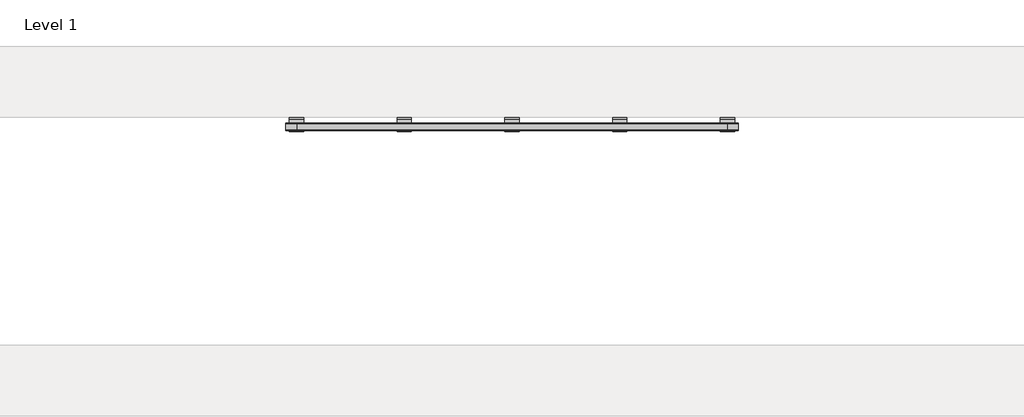
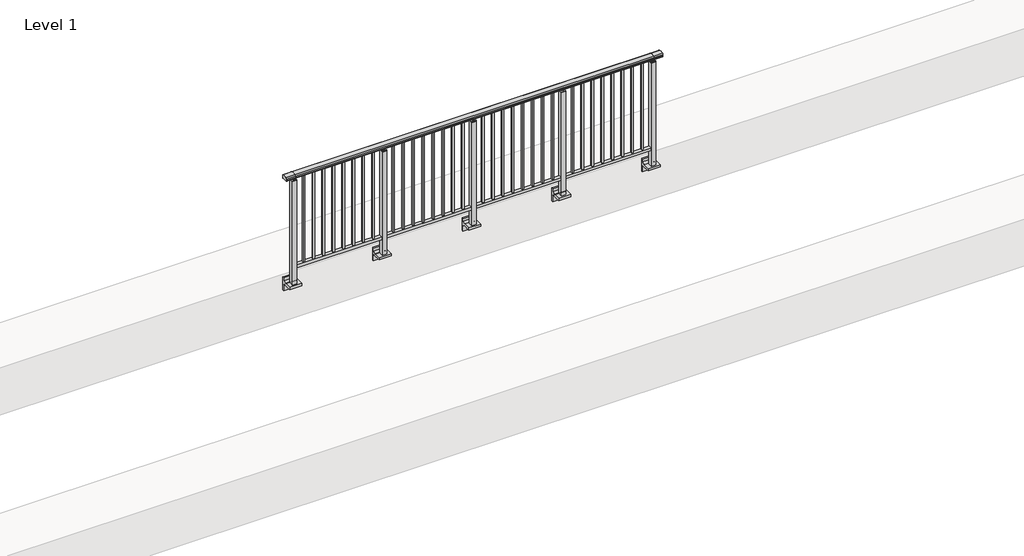
# One storey, part 32 of 64: 1 railing.
"""IFC4 building model written with IfcOpenShell, lengths in millimetres."""

from ifc_helpers import new_model, si_unit, point, frame, frame_2d, origin, place, context, project, spatial, polyline, circle_curve, trimmed, segment, composite_curve, outline, extrude, element, save
from ifc_brep_helpers import plane_surface, cylinder_surface, revolved_surface, advanced_brep

model = new_model("IFC4")

# Units and contexts
model_context = context("Model", 3, world=origin())
ifc_project = project(units=[si_unit("LENGTHUNIT", "METRE", prefix="MILLI")], contexts=[model_context])

# Site, building, storey
site = spatial("IfcSite", under=ifc_project)
building = spatial("IfcBuilding", under=site)
storey = spatial("IfcBuildingStorey", under=building, Name="Level 1", Elevation=0.0)

# Railing
placement = place(None, origin())
element("IfcRailing", 1, at=placement, inside=storey, context=model_context, shape_type="SolidModel", body=[
    advanced_brep(
    [(12910.0, 22342.8633756, 1095.6691182), (12910.0, 22347.6846828, 1081.1334092), (12910.0, 22346.7413744, 1069.2539035), (12910.0, 22348.6364177, 1061.4863007), (12910.0, 22346.9894799, 1060.384124), (12910.0, 22346.9894799, 1062.0), (12910.0, 22288.3798858, 1062.0), (12910.0, 22288.3798858, 1060.384124), (12910.0, 22286.732948, 1061.4863007), (12910.0, 22288.6279912, 1069.2539035), (12910.0, 22287.6846828, 1081.1334092), (12910.0, 22292.50599, 1095.6691182), (16690.0, 22342.8633756, 1095.6691182), (16690.0, 22292.50599, 1095.6691182), (16690.0, 22287.6846828, 1081.1334092), (16690.0, 22288.6279912, 1069.2539035), (16690.0, 22286.732948, 1061.4863007), (16690.0, 22288.3798858, 1060.384124), (16690.0, 22288.3798858, 1062.0), (16690.0, 22346.9894799, 1062.0), (16690.0, 22346.9894799, 1060.384124), (16690.0, 22348.6364177, 1061.4863007), (16690.0, 22346.7413744, 1069.2539035), (16690.0, 22347.6846828, 1081.1334092), (13000.0, 22342.8633756, 1095.6691182), (13000.0, 22347.6846828, 1081.1334092), (13000.0, 22346.7413744, 1069.2539035), (13000.0, 22348.6364177, 1061.4863007), (13000.0, 22346.9894799, 1060.384124), (13000.0, 22346.9894799, 1062.0), (13000.0, 22288.3798858, 1062.0), (13000.0, 22288.3798858, 1060.384124), (13000.0, 22286.732948, 1061.4863007), (13000.0, 22288.6279912, 1069.2539035), (13000.0, 22287.6846828, 1081.1334092), (13000.0, 22292.50599, 1095.6691182), (16600.0, 22342.8633756, 1095.6691182), (16600.0, 22347.6846828, 1081.1334092), (16600.0, 22346.7413744, 1069.2539035), (16600.0, 22348.6364177, 1061.4863007), (16600.0, 22346.9894799, 1060.384124), (16600.0, 22346.9894799, 1062.0), (16600.0, 22288.3798858, 1062.0), (16600.0, 22288.3798858, 1060.384124), (16600.0, 22286.732948, 1061.4863007), (16600.0, 22288.6279912, 1069.2539035), (16600.0, 22287.6846828, 1081.1334092), (16600.0, 22292.50599, 1095.6691182)],
    [
        (0, 1, circle_curve(frame((12910.0, 22339.6223845, 1086.526686), z_axis=(-1.0, 0.0, 0.0), x_axis=(0.0, -1.0, 0.0)), 9.6999015)),
        (1, 2, circle_curve(frame((12910.0, 22365.2252545, 1073.7633709), z_axis=(1.0, 0.0, 0.0), x_axis=(0.0, -1.0, 0.0)), 19.0260117)),
        (2, 3),
        (3, 4, circle_curve(frame((12910.0, 22347.7772073, 1060.9886194), z_axis=(-1.0, 0.0, 0.0), x_axis=(0.0, -1.0, 0.0)), 0.9929396)),
        (4, 5),
        (5, 6),
        (6, 7),
        (7, 8, circle_curve(frame((12910.0, 22287.5921584, 1060.9886194), z_axis=(-1.0, 0.0, 0.0), x_axis=(0.0, 1.0, 0.0)), 0.9929396)),
        (8, 9),
        (9, 10, circle_curve(frame((12910.0, 22270.1441111, 1073.7633709), z_axis=(1.0, 0.0, 0.0), x_axis=(0.0, 1.0, 0.0)), 19.0260117)),
        (10, 11, circle_curve(frame((12910.0, 22295.7469812, 1086.526686), z_axis=(-1.0, 0.0, 0.0), x_axis=(0.0, 1.0, 0.0)), 9.6999015)),
        (11, 0, circle_curve(frame((12910.0, 22317.6846828, 1024.6431628), z_axis=(-1.0, 0.0, 0.0), x_axis=(0.0, 1.0, 0.0)), 75.3568372)),
        (12, 13, circle_curve(frame((16690.0, 22317.6846828, 1024.6431628), z_axis=(1.0, 0.0, 0.0), x_axis=(0.0, 1.0, 0.0)), 75.3568372)),
        (13, 14, circle_curve(frame((16690.0, 22295.7469812, 1086.526686), z_axis=(1.0, 0.0, 0.0), x_axis=(0.0, 1.0, 0.0)), 9.6999015)),
        (14, 15, circle_curve(frame((16690.0, 22270.1441111, 1073.7633709), z_axis=(-1.0, 0.0, 0.0), x_axis=(0.0, 1.0, 0.0)), 19.0260117)),
        (15, 16),
        (16, 17, circle_curve(frame((16690.0, 22287.5921584, 1060.9886194), z_axis=(1.0, 0.0, 0.0), x_axis=(0.0, 1.0, 0.0)), 0.9929396)),
        (17, 18),
        (18, 19),
        (19, 20),
        (20, 21, circle_curve(frame((16690.0, 22347.7772073, 1060.9886194), z_axis=(1.0, 0.0, 0.0), x_axis=(0.0, -1.0, 0.0)), 0.9929396)),
        (21, 22),
        (22, 23, circle_curve(frame((16690.0, 22365.2252545, 1073.7633709), z_axis=(-1.0, 0.0, 0.0), x_axis=(0.0, -1.0, 0.0)), 19.0260117)),
        (23, 12, circle_curve(frame((16690.0, 22339.6223845, 1086.526686), z_axis=(1.0, 0.0, 0.0), x_axis=(0.0, -1.0, 0.0)), 9.6999015)),
        (0, 24),
        (24, 25, circle_curve(frame((13000.0, 22339.6223845, 1086.526686), z_axis=(-1.0, 0.0, 0.0), x_axis=(0.0, -1.0, 0.0)), 9.6999015)),
        (25, 1),
        (25, 26, circle_curve(frame((13000.0, 22365.2252545, 1073.7633709), z_axis=(1.0, 0.0, 0.0), x_axis=(0.0, -1.0, 0.0)), 19.0260117)),
        (26, 2),
        (26, 27),
        (27, 3),
        (27, 28, circle_curve(frame((13000.0, 22347.7772073, 1060.9886194), z_axis=(-1.0, 0.0, 0.0), x_axis=(0.0, -1.0, 0.0)), 0.9929396)),
        (28, 4),
        (28, 29),
        (29, 5),
        (29, 30),
        (30, 6),
        (30, 31),
        (31, 7),
        (31, 32, circle_curve(frame((13000.0, 22287.5921584, 1060.9886194), z_axis=(-1.0, 0.0, 0.0), x_axis=(0.0, 1.0, 0.0)), 0.9929396)),
        (32, 8),
        (32, 33),
        (33, 9),
        (33, 34, circle_curve(frame((13000.0, 22270.1441111, 1073.7633709), z_axis=(1.0, 0.0, 0.0), x_axis=(0.0, 1.0, 0.0)), 19.0260117)),
        (34, 10),
        (34, 35, circle_curve(frame((13000.0, 22295.7469812, 1086.526686), z_axis=(-1.0, 0.0, 0.0), x_axis=(0.0, 1.0, 0.0)), 9.6999015)),
        (35, 11),
        (35, 24, circle_curve(frame((13000.0, 22317.6846828, 1024.6431628), z_axis=(-1.0, 0.0, 0.0), x_axis=(0.0, 1.0, 0.0)), 75.3568372)),
        (24, 36),
        (36, 37, circle_curve(frame((16600.0, 22339.6223845, 1086.526686), z_axis=(-1.0, 0.0, 0.0), x_axis=(0.0, -1.0, 0.0)), 9.6999015)),
        (37, 25),
        (37, 38, circle_curve(frame((16600.0, 22365.2252545, 1073.7633709), z_axis=(1.0, 0.0, 0.0), x_axis=(0.0, -1.0, 0.0)), 19.0260117)),
        (38, 26),
        (38, 39),
        (39, 27),
        (39, 40, circle_curve(frame((16600.0, 22347.7772073, 1060.9886194), z_axis=(-1.0, 0.0, 0.0), x_axis=(0.0, -1.0, 0.0)), 0.9929396)),
        (40, 28),
        (40, 41),
        (41, 29),
        (41, 42),
        (42, 30),
        (42, 43),
        (43, 31),
        (43, 44, circle_curve(frame((16600.0, 22287.5921584, 1060.9886194), z_axis=(-1.0, 0.0, 0.0), x_axis=(0.0, 1.0, 0.0)), 0.9929396)),
        (44, 32),
        (44, 45),
        (45, 33),
        (45, 46, circle_curve(frame((16600.0, 22270.1441111, 1073.7633709), z_axis=(1.0, 0.0, 0.0), x_axis=(0.0, 1.0, 0.0)), 19.0260117)),
        (46, 34),
        (46, 47, circle_curve(frame((16600.0, 22295.7469812, 1086.526686), z_axis=(-1.0, 0.0, 0.0), x_axis=(0.0, 1.0, 0.0)), 9.6999015)),
        (47, 35),
        (47, 36, circle_curve(frame((16600.0, 22317.6846828, 1024.6431628), z_axis=(-1.0, 0.0, 0.0), x_axis=(0.0, 1.0, 0.0)), 75.3568372)),
        (36, 12),
        (23, 37),
        (22, 38),
        (21, 39),
        (20, 40),
        (19, 41),
        (18, 42),
        (17, 43),
        (16, 44),
        (15, 45),
        (14, 46),
        (13, 47),
    ],
    [
        plane_surface(frame((12910.0, 22317.6846828, 1100.0), z_axis=(-1.0, 0.0, 0.0), x_axis=(0.0, 1.0, 0.0))),
        plane_surface(frame((16690.0, 22317.6846828, 1100.0), z_axis=(1.0, 0.0, 0.0), x_axis=(0.0, 1.0, 0.0))),
        cylinder_surface(frame((12910.0, 22339.6223845, 1086.526686), z_axis=(-1.0, 0.0, 0.0), x_axis=(0.0, -1.0, 0.0)), 9.6999015),
        revolved_surface(polyline([(13000.0, 22346.1992428, 1073.7633709), (12910.0, 22346.1992428, 1073.7633709)]), (12910.0, 22365.2252545, 1073.7633709), (1.0, 0.0, 0.0)),
        plane_surface(frame((12910.0, 22346.7413744, 1069.2539035), z_axis=(0.0, 0.9715057689301543, 0.2370159086125439), x_axis=(1.0, 0.0, 0.0))),
        cylinder_surface(frame((12910.0, 22347.7772073, 1060.9886194), z_axis=(-1.0, 0.0, 0.0), x_axis=(0.0, -1.0, 0.0)), 0.9929396),
        plane_surface(frame((12910.0, 22346.9894799, 1060.384124), z_axis=(0.0, -1.0, 0.0), x_axis=(1.0, 0.0, 0.0))),
        plane_surface(frame((12910.0, 22346.9894799, 1062.0), z_axis=(0.0, 0.0, -1.0), x_axis=(1.0, 0.0, 0.0))),
        plane_surface(frame((12910.0, 22288.3798858, 1062.0), z_axis=(0.0, 1.0, 0.0), x_axis=(1.0, 0.0, 0.0))),
        cylinder_surface(frame((12910.0, 22287.5921584, 1060.9886194), z_axis=(-1.0, 0.0, 0.0), x_axis=(0.0, 1.0, 0.0)), 0.9929396),
        plane_surface(frame((12910.0, 22286.732948, 1061.4863007), z_axis=(0.0, -0.9715057689301543, 0.2370159086125439), x_axis=(1.0, 0.0, 0.0))),
        revolved_surface(polyline([(13000.0, 22289.1701228, 1073.7633709), (12910.0, 22289.1701228, 1073.7633709)]), (12910.0, 22270.1441111, 1073.7633709), (1.0, 0.0, 0.0)),
        cylinder_surface(frame((12910.0, 22295.7469812, 1086.526686), z_axis=(-1.0, 0.0, 0.0), x_axis=(0.0, 1.0, 0.0)), 9.6999015),
        cylinder_surface(frame((12910.0, 22317.6846828, 1024.6431628), z_axis=(-1.0, 0.0, 0.0), x_axis=(0.0, 1.0, 0.0)), 75.3568372),
        cylinder_surface(frame((13000.0, 22339.6223845, 1086.526686), z_axis=(-1.0, 0.0, 0.0), x_axis=(0.0, -1.0, 0.0)), 9.6999015),
        revolved_surface(polyline([(16600.0, 22346.1992428, 1073.7633709), (13000.0, 22346.1992428, 1073.7633709)]), (13000.0, 22365.2252545, 1073.7633709), (1.0, 0.0, 0.0)),
        plane_surface(frame((13000.0, 22346.7413744, 1069.2539035), z_axis=(0.0, 0.9715057689301543, 0.2370159086125439), x_axis=(1.0, 0.0, 0.0))),
        cylinder_surface(frame((13000.0, 22347.7772073, 1060.9886194), z_axis=(-1.0, 0.0, 0.0), x_axis=(0.0, -1.0, 0.0)), 0.9929396),
        plane_surface(frame((13000.0, 22346.9894799, 1060.384124), z_axis=(0.0, -1.0, 0.0), x_axis=(1.0, 0.0, 0.0))),
        plane_surface(frame((13000.0, 22346.9894799, 1062.0), z_axis=(0.0, 0.0, -1.0), x_axis=(1.0, 0.0, 0.0))),
        plane_surface(frame((13000.0, 22288.3798858, 1062.0), z_axis=(0.0, 1.0, 0.0), x_axis=(1.0, 0.0, 0.0))),
        cylinder_surface(frame((13000.0, 22287.5921584, 1060.9886194), z_axis=(-1.0, 0.0, 0.0), x_axis=(0.0, 1.0, 0.0)), 0.9929396),
        plane_surface(frame((13000.0, 22286.732948, 1061.4863007), z_axis=(0.0, -0.9715057689301543, 0.2370159086125439), x_axis=(1.0, 0.0, 0.0))),
        revolved_surface(polyline([(16600.0, 22289.1701228, 1073.7633709), (13000.0, 22289.1701228, 1073.7633709)]), (13000.0, 22270.1441111, 1073.7633709), (1.0, 0.0, 0.0)),
        cylinder_surface(frame((13000.0, 22295.7469812, 1086.526686), z_axis=(-1.0, 0.0, 0.0), x_axis=(0.0, 1.0, 0.0)), 9.6999015),
        cylinder_surface(frame((13000.0, 22317.6846828, 1024.6431628), z_axis=(-1.0, 0.0, 0.0), x_axis=(0.0, 1.0, 0.0)), 75.3568372),
        cylinder_surface(frame((16600.0, 22339.6223845, 1086.526686), z_axis=(-1.0, 0.0, 0.0), x_axis=(0.0, -1.0, 0.0)), 9.6999015),
        revolved_surface(polyline([(16690.0, 22346.1992428, 1073.7633709), (16600.0, 22346.1992428, 1073.7633709)]), (16600.0, 22365.2252545, 1073.7633709), (1.0, 0.0, 0.0)),
        plane_surface(frame((16600.0, 22346.7413744, 1069.2539035), z_axis=(0.0, 0.9715057689301543, 0.2370159086125439), x_axis=(1.0, 0.0, 0.0))),
        cylinder_surface(frame((16600.0, 22347.7772073, 1060.9886194), z_axis=(-1.0, 0.0, 0.0), x_axis=(0.0, -1.0, 0.0)), 0.9929396),
        plane_surface(frame((16600.0, 22346.9894799, 1060.384124), z_axis=(0.0, -1.0, 0.0), x_axis=(1.0, 0.0, 0.0))),
        plane_surface(frame((16600.0, 22346.9894799, 1062.0), z_axis=(0.0, 0.0, -1.0), x_axis=(1.0, 0.0, 0.0))),
        plane_surface(frame((16600.0, 22288.3798858, 1062.0), z_axis=(0.0, 1.0, 0.0), x_axis=(1.0, 0.0, 0.0))),
        cylinder_surface(frame((16600.0, 22287.5921584, 1060.9886194), z_axis=(-1.0, 0.0, 0.0), x_axis=(0.0, 1.0, 0.0)), 0.9929396),
        plane_surface(frame((16600.0, 22286.732948, 1061.4863007), z_axis=(0.0, -0.9715057689301543, 0.2370159086125439), x_axis=(1.0, 0.0, 0.0))),
        revolved_surface(polyline([(16690.0, 22289.1701228, 1073.7633709), (16600.0, 22289.1701228, 1073.7633709)]), (16600.0, 22270.1441111, 1073.7633709), (1.0, 0.0, 0.0)),
        cylinder_surface(frame((16600.0, 22295.7469812, 1086.526686), z_axis=(-1.0, 0.0, 0.0), x_axis=(0.0, 1.0, 0.0)), 9.6999015),
        cylinder_surface(frame((16600.0, 22317.6846828, 1024.6431628), z_axis=(-1.0, 0.0, 0.0), x_axis=(0.0, 1.0, 0.0)), 75.3568372),
    ],
    [
        (0, [[1, 2, 3, 4, 5, 6, 7, 8, 9, 10, 11, 12]]),
        (1, [[13, 14, 15, 16, 17, 18, 19, 20, 21, 22, 23, 24]]),
        (2, [[-1, 25, 26, 27]]),
        (3, [[-2, -27, 28, 29]]),
        (4, [[-3, -29, 30, 31]]),
        (5, [[-4, -31, 32, 33]]),
        (6, [[-5, -33, 34, 35]]),
        (7, [[-6, -35, 36, 37]]),
        (8, [[-7, -37, 38, 39]]),
        (9, [[-8, -39, 40, 41]]),
        (10, [[-9, -41, 42, 43]]),
        (11, [[-10, -43, 44, 45]]),
        (12, [[-11, -45, 46, 47]]),
        (13, [[-12, -47, 48, -25]]),
        (14, [[-26, 49, 50, 51]]),
        (15, [[-28, -51, 52, 53]]),
        (16, [[-30, -53, 54, 55]]),
        (17, [[-32, -55, 56, 57]]),
        (18, [[-34, -57, 58, 59]]),
        (19, [[-36, -59, 60, 61]]),
        (20, [[-38, -61, 62, 63]]),
        (21, [[-40, -63, 64, 65]]),
        (22, [[-42, -65, 66, 67]]),
        (23, [[-44, -67, 68, 69]]),
        (24, [[-46, -69, 70, 71]]),
        (25, [[-48, -71, 72, -49]]),
        (26, [[-50, 73, -24, 74]]),
        (27, [[-52, -74, -23, 75]]),
        (28, [[-54, -75, -22, 76]]),
        (29, [[-56, -76, -21, 77]]),
        (30, [[-58, -77, -20, 78]]),
        (31, [[-60, -78, -19, 79]]),
        (32, [[-62, -79, -18, 80]]),
        (33, [[-64, -80, -17, 81]]),
        (34, [[-66, -81, -16, 82]]),
        (35, [[-68, -82, -15, 83]]),
        (36, [[-70, -83, -14, 84]]),
        (37, [[-72, -84, -13, -73]]),
    ],
),
    extrude(outline(polyline([(13000.0, 22300.1846828), (13000.0, 22335.1846828), (16600.0, 22335.1846828), (16600.0, 22300.1846828), (13000.0, 22300.1846828)])), frame((0.0, 0.0, 95.0), z_axis=(0.0, 0.0, 1.0), x_axis=(1.0, 0.0, 0.0)), (0.0, 0.0, 1.0), 30.0),
    extrude(outline(polyline([(16508.5, 22309.1846828), (16491.5, 22309.1846828), (16491.5, 22326.1846828), (16508.5, 22326.1846828), (16508.5, 22309.1846828)])), frame((0.0, 0.0, 125.0), z_axis=(0.0, 0.0, 1.0), x_axis=(1.0, 0.0, 0.0)), (0.0, 0.0, 1.0), 930.0),
    extrude(outline(polyline([(16408.5, 22309.1846828), (16391.5, 22309.1846828), (16391.5, 22326.1846828), (16408.5, 22326.1846828), (16408.5, 22309.1846828)])), frame((0.0, 0.0, 125.0), z_axis=(0.0, 0.0, 1.0), x_axis=(1.0, 0.0, 0.0)), (0.0, 0.0, 1.0), 930.0),
    extrude(outline(polyline([(16308.5, 22309.1846828), (16291.5, 22309.1846828), (16291.5, 22326.1846828), (16308.5, 22326.1846828), (16308.5, 22309.1846828)])), frame((0.0, 0.0, 125.0), z_axis=(0.0, 0.0, 1.0), x_axis=(1.0, 0.0, 0.0)), (0.0, 0.0, 1.0), 930.0),
    extrude(outline(polyline([(16208.5, 22309.1846828), (16191.5, 22309.1846828), (16191.5, 22326.1846828), (16208.5, 22326.1846828), (16208.5, 22309.1846828)])), frame((0.0, 0.0, 125.0), z_axis=(0.0, 0.0, 1.0), x_axis=(1.0, 0.0, 0.0)), (0.0, 0.0, 1.0), 930.0),
    extrude(outline(polyline([(16108.5, 22309.1846828), (16091.5, 22309.1846828), (16091.5, 22326.1846828), (16108.5, 22326.1846828), (16108.5, 22309.1846828)])), frame((0.0, 0.0, 125.0), z_axis=(0.0, 0.0, 1.0), x_axis=(1.0, 0.0, 0.0)), (0.0, 0.0, 1.0), 930.0),
    extrude(outline(polyline([(16008.5, 22309.1846828), (15991.5, 22309.1846828), (15991.5, 22326.1846828), (16008.5, 22326.1846828), (16008.5, 22309.1846828)])), frame((0.0, 0.0, 125.0), z_axis=(0.0, 0.0, 1.0), x_axis=(1.0, 0.0, 0.0)), (0.0, 0.0, 1.0), 930.0),
    extrude(outline(polyline([(15908.5, 22309.1846828), (15891.5, 22309.1846828), (15891.5, 22326.1846828), (15908.5, 22326.1846828), (15908.5, 22309.1846828)])), frame((0.0, 0.0, 125.0), z_axis=(0.0, 0.0, 1.0), x_axis=(1.0, 0.0, 0.0)), (0.0, 0.0, 1.0), 930.0),
    extrude(outline(polyline([(15808.5, 22309.1846828), (15791.5, 22309.1846828), (15791.5, 22326.1846828), (15808.5, 22326.1846828), (15808.5, 22309.1846828)])), frame((0.0, 0.0, 125.0), z_axis=(0.0, 0.0, 1.0), x_axis=(1.0, 0.0, 0.0)), (0.0, 0.0, 1.0), 930.0),
    extrude(outline(composite_curve([segment(polyline([(22350.1846828, -70.0), (22384.1846828, -63.0), (22384.1846828, -32.5), (22400.1846828, -32.5), (22400.1846828, -167.5), (22384.1846828, -167.5), (22384.1846828, -113.5)]), True, "CONTINUOUS"), segment(trimmed(circle_curve(frame_2d((22364.1846828, -113.5)), 20.0), [point((22384.1846828, -113.5))], [point((22364.1846828, -93.5))], True, "CARTESIAN"), True, "CONTINUOUS"), segment(polyline([(22364.1846828, -93.5), (22280.1846828, -93.5), (22280.1846828, -70.0), (22350.1846828, -70.0)]), True, "CONTINUOUS")], self_intersect=False)), frame((15640.0, 0.0, 0.0), z_axis=(1.0, 0.0, 0.0), x_axis=(0.0, 1.0, 0.0)), (0.0, 0.0, 1.0), 120.0),
    extrude(outline(polyline([(15722.5, 22340.1846828), (15722.5, 22295.1846828), (15677.5, 22295.1846828), (15677.5, 22340.1846828), (15722.5, 22340.1846828)])), frame((0.0, 0.0, -70.0), z_axis=(0.0, 0.0, 1.0), x_axis=(1.0, 0.0, 0.0)), (0.0, 0.0, 1.0), 1097.0),
    extrude(outline(polyline([(15710.0, 22327.6846828), (15710.0, 22307.6846828), (15690.0, 22307.6846828), (15690.0, 22327.6846828), (15710.0, 22327.6846828)])), frame((0.0, 0.0, 1035.0), z_axis=(0.0, 0.0, 1.0), x_axis=(1.0, 0.0, 0.0)), (0.0, 0.0, 1.0), 20.0),
    extrude(outline(polyline([(15722.5, 22340.1846828), (15722.5, 22295.1846828), (15677.5, 22295.1846828), (15677.5, 22340.1846828), (15722.5, 22340.1846828)])), frame((0.0, 0.0, 1027.0), z_axis=(0.0, 0.0, 1.0), x_axis=(1.0, 0.0, 0.0)), (0.0, 0.0, 1.0), 8.0),
    extrude(outline(polyline([(15608.5, 22309.1846828), (15591.5, 22309.1846828), (15591.5, 22326.1846828), (15608.5, 22326.1846828), (15608.5, 22309.1846828)])), frame((0.0, 0.0, 125.0), z_axis=(0.0, 0.0, 1.0), x_axis=(1.0, 0.0, 0.0)), (0.0, 0.0, 1.0), 930.0),
    extrude(outline(polyline([(15508.5, 22309.1846828), (15491.5, 22309.1846828), (15491.5, 22326.1846828), (15508.5, 22326.1846828), (15508.5, 22309.1846828)])), frame((0.0, 0.0, 125.0), z_axis=(0.0, 0.0, 1.0), x_axis=(1.0, 0.0, 0.0)), (0.0, 0.0, 1.0), 930.0),
    extrude(outline(polyline([(15408.5, 22309.1846828), (15391.5, 22309.1846828), (15391.5, 22326.1846828), (15408.5, 22326.1846828), (15408.5, 22309.1846828)])), frame((0.0, 0.0, 125.0), z_axis=(0.0, 0.0, 1.0), x_axis=(1.0, 0.0, 0.0)), (0.0, 0.0, 1.0), 930.0),
    extrude(outline(polyline([(15308.5, 22309.1846828), (15291.5, 22309.1846828), (15291.5, 22326.1846828), (15308.5, 22326.1846828), (15308.5, 22309.1846828)])), frame((0.0, 0.0, 125.0), z_axis=(0.0, 0.0, 1.0), x_axis=(1.0, 0.0, 0.0)), (0.0, 0.0, 1.0), 930.0),
    extrude(outline(polyline([(15208.5, 22309.1846828), (15191.5, 22309.1846828), (15191.5, 22326.1846828), (15208.5, 22326.1846828), (15208.5, 22309.1846828)])), frame((0.0, 0.0, 125.0), z_axis=(0.0, 0.0, 1.0), x_axis=(1.0, 0.0, 0.0)), (0.0, 0.0, 1.0), 930.0),
    extrude(outline(polyline([(15108.5, 22309.1846828), (15091.5, 22309.1846828), (15091.5, 22326.1846828), (15108.5, 22326.1846828), (15108.5, 22309.1846828)])), frame((0.0, 0.0, 125.0), z_axis=(0.0, 0.0, 1.0), x_axis=(1.0, 0.0, 0.0)), (0.0, 0.0, 1.0), 930.0),
    extrude(outline(polyline([(15008.5, 22309.1846828), (14991.5, 22309.1846828), (14991.5, 22326.1846828), (15008.5, 22326.1846828), (15008.5, 22309.1846828)])), frame((0.0, 0.0, 125.0), z_axis=(0.0, 0.0, 1.0), x_axis=(1.0, 0.0, 0.0)), (0.0, 0.0, 1.0), 930.0),
    extrude(outline(polyline([(14908.5, 22309.1846828), (14891.5, 22309.1846828), (14891.5, 22326.1846828), (14908.5, 22326.1846828), (14908.5, 22309.1846828)])), frame((0.0, 0.0, 125.0), z_axis=(0.0, 0.0, 1.0), x_axis=(1.0, 0.0, 0.0)), (0.0, 0.0, 1.0), 930.0),
    extrude(outline(composite_curve([segment(polyline([(22350.1846828, -70.0), (22384.1846828, -63.0), (22384.1846828, -32.5), (22400.1846828, -32.5), (22400.1846828, -167.5), (22384.1846828, -167.5), (22384.1846828, -113.5)]), True, "CONTINUOUS"), segment(trimmed(circle_curve(frame_2d((22364.1846828, -113.5)), 20.0), [point((22384.1846828, -113.5))], [point((22364.1846828, -93.5))], True, "CARTESIAN"), True, "CONTINUOUS"), segment(polyline([(22364.1846828, -93.5), (22280.1846828, -93.5), (22280.1846828, -70.0), (22350.1846828, -70.0)]), True, "CONTINUOUS")], self_intersect=False)), frame((14740.0, 0.0, 0.0), z_axis=(1.0, 0.0, 0.0), x_axis=(0.0, 1.0, 0.0)), (0.0, 0.0, 1.0), 120.0),
    extrude(outline(polyline([(14822.5, 22340.1846828), (14822.5, 22295.1846828), (14777.5, 22295.1846828), (14777.5, 22340.1846828), (14822.5, 22340.1846828)])), frame((0.0, 0.0, -70.0), z_axis=(0.0, 0.0, 1.0), x_axis=(1.0, 0.0, 0.0)), (0.0, 0.0, 1.0), 1097.0),
    extrude(outline(polyline([(14810.0, 22327.6846828), (14810.0, 22307.6846828), (14790.0, 22307.6846828), (14790.0, 22327.6846828), (14810.0, 22327.6846828)])), frame((0.0, 0.0, 1035.0), z_axis=(0.0, 0.0, 1.0), x_axis=(1.0, 0.0, 0.0)), (0.0, 0.0, 1.0), 20.0),
    extrude(outline(polyline([(14822.5, 22340.1846828), (14822.5, 22295.1846828), (14777.5, 22295.1846828), (14777.5, 22340.1846828), (14822.5, 22340.1846828)])), frame((0.0, 0.0, 1027.0), z_axis=(0.0, 0.0, 1.0), x_axis=(1.0, 0.0, 0.0)), (0.0, 0.0, 1.0), 8.0),
    extrude(outline(polyline([(14708.5, 22309.1846828), (14691.5, 22309.1846828), (14691.5, 22326.1846828), (14708.5, 22326.1846828), (14708.5, 22309.1846828)])), frame((0.0, 0.0, 125.0), z_axis=(0.0, 0.0, 1.0), x_axis=(1.0, 0.0, 0.0)), (0.0, 0.0, 1.0), 930.0),
    extrude(outline(polyline([(14608.5, 22309.1846828), (14591.5, 22309.1846828), (14591.5, 22326.1846828), (14608.5, 22326.1846828), (14608.5, 22309.1846828)])), frame((0.0, 0.0, 125.0), z_axis=(0.0, 0.0, 1.0), x_axis=(1.0, 0.0, 0.0)), (0.0, 0.0, 1.0), 930.0),
    extrude(outline(polyline([(14508.5, 22309.1846828), (14491.5, 22309.1846828), (14491.5, 22326.1846828), (14508.5, 22326.1846828), (14508.5, 22309.1846828)])), frame((0.0, 0.0, 125.0), z_axis=(0.0, 0.0, 1.0), x_axis=(1.0, 0.0, 0.0)), (0.0, 0.0, 1.0), 930.0),
    extrude(outline(polyline([(14408.5, 22309.1846828), (14391.5, 22309.1846828), (14391.5, 22326.1846828), (14408.5, 22326.1846828), (14408.5, 22309.1846828)])), frame((0.0, 0.0, 125.0), z_axis=(0.0, 0.0, 1.0), x_axis=(1.0, 0.0, 0.0)), (0.0, 0.0, 1.0), 930.0),
    extrude(outline(polyline([(14308.5, 22309.1846828), (14291.5, 22309.1846828), (14291.5, 22326.1846828), (14308.5, 22326.1846828), (14308.5, 22309.1846828)])), frame((0.0, 0.0, 125.0), z_axis=(0.0, 0.0, 1.0), x_axis=(1.0, 0.0, 0.0)), (0.0, 0.0, 1.0), 930.0),
    extrude(outline(polyline([(14208.5, 22309.1846828), (14191.5, 22309.1846828), (14191.5, 22326.1846828), (14208.5, 22326.1846828), (14208.5, 22309.1846828)])), frame((0.0, 0.0, 125.0), z_axis=(0.0, 0.0, 1.0), x_axis=(1.0, 0.0, 0.0)), (0.0, 0.0, 1.0), 930.0),
    extrude(outline(polyline([(14108.5, 22309.1846828), (14091.5, 22309.1846828), (14091.5, 22326.1846828), (14108.5, 22326.1846828), (14108.5, 22309.1846828)])), frame((0.0, 0.0, 125.0), z_axis=(0.0, 0.0, 1.0), x_axis=(1.0, 0.0, 0.0)), (0.0, 0.0, 1.0), 930.0),
    extrude(outline(polyline([(14008.5, 22309.1846828), (13991.5, 22309.1846828), (13991.5, 22326.1846828), (14008.5, 22326.1846828), (14008.5, 22309.1846828)])), frame((0.0, 0.0, 125.0), z_axis=(0.0, 0.0, 1.0), x_axis=(1.0, 0.0, 0.0)), (0.0, 0.0, 1.0), 930.0),
    extrude(outline(composite_curve([segment(polyline([(22350.1846828, -70.0), (22384.1846828, -63.0), (22384.1846828, -32.5), (22400.1846828, -32.5), (22400.1846828, -167.5), (22384.1846828, -167.5), (22384.1846828, -113.5)]), True, "CONTINUOUS"), segment(trimmed(circle_curve(frame_2d((22364.1846828, -113.5)), 20.0), [point((22384.1846828, -113.5))], [point((22364.1846828, -93.5))], True, "CARTESIAN"), True, "CONTINUOUS"), segment(polyline([(22364.1846828, -93.5), (22280.1846828, -93.5), (22280.1846828, -70.0), (22350.1846828, -70.0)]), True, "CONTINUOUS")], self_intersect=False)), frame((13840.0, 0.0, 0.0), z_axis=(1.0, 0.0, 0.0), x_axis=(0.0, 1.0, 0.0)), (0.0, 0.0, 1.0), 120.0),
    extrude(outline(polyline([(13922.5, 22340.1846828), (13922.5, 22295.1846828), (13877.5, 22295.1846828), (13877.5, 22340.1846828), (13922.5, 22340.1846828)])), frame((0.0, 0.0, -70.0), z_axis=(0.0, 0.0, 1.0), x_axis=(1.0, 0.0, 0.0)), (0.0, 0.0, 1.0), 1097.0),
    extrude(outline(polyline([(13910.0, 22327.6846828), (13910.0, 22307.6846828), (13890.0, 22307.6846828), (13890.0, 22327.6846828), (13910.0, 22327.6846828)])), frame((0.0, 0.0, 1035.0), z_axis=(0.0, 0.0, 1.0), x_axis=(1.0, 0.0, 0.0)), (0.0, 0.0, 1.0), 20.0),
    extrude(outline(polyline([(13922.5, 22340.1846828), (13922.5, 22295.1846828), (13877.5, 22295.1846828), (13877.5, 22340.1846828), (13922.5, 22340.1846828)])), frame((0.0, 0.0, 1027.0), z_axis=(0.0, 0.0, 1.0), x_axis=(1.0, 0.0, 0.0)), (0.0, 0.0, 1.0), 8.0),
    extrude(outline(polyline([(13808.5, 22309.1846828), (13791.5, 22309.1846828), (13791.5, 22326.1846828), (13808.5, 22326.1846828), (13808.5, 22309.1846828)])), frame((0.0, 0.0, 125.0), z_axis=(0.0, 0.0, 1.0), x_axis=(1.0, 0.0, 0.0)), (0.0, 0.0, 1.0), 930.0),
    extrude(outline(polyline([(13708.5, 22309.1846828), (13691.5, 22309.1846828), (13691.5, 22326.1846828), (13708.5, 22326.1846828), (13708.5, 22309.1846828)])), frame((0.0, 0.0, 125.0), z_axis=(0.0, 0.0, 1.0), x_axis=(1.0, 0.0, 0.0)), (0.0, 0.0, 1.0), 930.0),
    extrude(outline(polyline([(13608.5, 22309.1846828), (13591.5, 22309.1846828), (13591.5, 22326.1846828), (13608.5, 22326.1846828), (13608.5, 22309.1846828)])), frame((0.0, 0.0, 125.0), z_axis=(0.0, 0.0, 1.0), x_axis=(1.0, 0.0, 0.0)), (0.0, 0.0, 1.0), 930.0),
    extrude(outline(polyline([(13508.5, 22309.1846828), (13491.5, 22309.1846828), (13491.5, 22326.1846828), (13508.5, 22326.1846828), (13508.5, 22309.1846828)])), frame((0.0, 0.0, 125.0), z_axis=(0.0, 0.0, 1.0), x_axis=(1.0, 0.0, 0.0)), (0.0, 0.0, 1.0), 930.0),
    extrude(outline(polyline([(13408.5, 22309.1846828), (13391.5, 22309.1846828), (13391.5, 22326.1846828), (13408.5, 22326.1846828), (13408.5, 22309.1846828)])), frame((0.0, 0.0, 125.0), z_axis=(0.0, 0.0, 1.0), x_axis=(1.0, 0.0, 0.0)), (0.0, 0.0, 1.0), 930.0),
    extrude(outline(polyline([(13308.5, 22309.1846828), (13291.5, 22309.1846828), (13291.5, 22326.1846828), (13308.5, 22326.1846828), (13308.5, 22309.1846828)])), frame((0.0, 0.0, 125.0), z_axis=(0.0, 0.0, 1.0), x_axis=(1.0, 0.0, 0.0)), (0.0, 0.0, 1.0), 930.0),
    extrude(outline(polyline([(13208.5, 22309.1846828), (13191.5, 22309.1846828), (13191.5, 22326.1846828), (13208.5, 22326.1846828), (13208.5, 22309.1846828)])), frame((0.0, 0.0, 125.0), z_axis=(0.0, 0.0, 1.0), x_axis=(1.0, 0.0, 0.0)), (0.0, 0.0, 1.0), 930.0),
    extrude(outline(polyline([(13108.5, 22309.1846828), (13091.5, 22309.1846828), (13091.5, 22326.1846828), (13108.5, 22326.1846828), (13108.5, 22309.1846828)])), frame((0.0, 0.0, 125.0), z_axis=(0.0, 0.0, 1.0), x_axis=(1.0, 0.0, 0.0)), (0.0, 0.0, 1.0), 930.0),
    extrude(outline(composite_curve([segment(polyline([(22350.1846828, -70.0), (22384.1846828, -63.0), (22384.1846828, -32.5), (22400.1846828, -32.5), (22400.1846828, -167.5), (22384.1846828, -167.5), (22384.1846828, -113.5)]), True, "CONTINUOUS"), segment(trimmed(circle_curve(frame_2d((22364.1846828, -113.5)), 20.0), [point((22384.1846828, -113.5))], [point((22364.1846828, -93.5))], True, "CARTESIAN"), True, "CONTINUOUS"), segment(polyline([(22364.1846828, -93.5), (22280.1846828, -93.5), (22280.1846828, -70.0), (22350.1846828, -70.0)]), True, "CONTINUOUS")], self_intersect=False)), frame((16540.0, 0.0, 0.0), z_axis=(1.0, 0.0, 0.0), x_axis=(0.0, 1.0, 0.0)), (0.0, 0.0, 1.0), 120.0),
    extrude(outline(polyline([(16622.5, 22340.1846828), (16622.5, 22295.1846828), (16577.5, 22295.1846828), (16577.5, 22340.1846828), (16622.5, 22340.1846828)])), frame((0.0, 0.0, -70.0), z_axis=(0.0, 0.0, 1.0), x_axis=(1.0, 0.0, 0.0)), (0.0, 0.0, 1.0), 1097.0),
    extrude(outline(polyline([(16610.0, 22327.6846828), (16610.0, 22307.6846828), (16590.0, 22307.6846828), (16590.0, 22327.6846828), (16610.0, 22327.6846828)])), frame((0.0, 0.0, 1035.0), z_axis=(0.0, 0.0, 1.0), x_axis=(1.0, 0.0, 0.0)), (0.0, 0.0, 1.0), 20.0),
    extrude(outline(polyline([(16622.5, 22340.1846828), (16622.5, 22295.1846828), (16577.5, 22295.1846828), (16577.5, 22340.1846828), (16622.5, 22340.1846828)])), frame((0.0, 0.0, 1027.0), z_axis=(0.0, 0.0, 1.0), x_axis=(1.0, 0.0, 0.0)), (0.0, 0.0, 1.0), 8.0),
    extrude(outline(composite_curve([segment(polyline([(22350.1846828, -70.0), (22384.1846828, -63.0), (22384.1846828, -32.5), (22400.1846828, -32.5), (22400.1846828, -167.5), (22384.1846828, -167.5), (22384.1846828, -113.5)]), True, "CONTINUOUS"), segment(trimmed(circle_curve(frame_2d((22364.1846828, -113.5)), 20.0), [point((22384.1846828, -113.5))], [point((22364.1846828, -93.5))], True, "CARTESIAN"), True, "CONTINUOUS"), segment(polyline([(22364.1846828, -93.5), (22280.1846828, -93.5), (22280.1846828, -70.0), (22350.1846828, -70.0)]), True, "CONTINUOUS")], self_intersect=False)), frame((12940.0, 0.0, 0.0), z_axis=(1.0, 0.0, 0.0), x_axis=(0.0, 1.0, 0.0)), (0.0, 0.0, 1.0), 120.0),
    extrude(outline(polyline([(13022.5, 22340.1846828), (13022.5, 22295.1846828), (12977.5, 22295.1846828), (12977.5, 22340.1846828), (13022.5, 22340.1846828)])), frame((0.0, 0.0, -70.0), z_axis=(0.0, 0.0, 1.0), x_axis=(1.0, 0.0, 0.0)), (0.0, 0.0, 1.0), 1097.0),
    extrude(outline(polyline([(13010.0, 22327.6846828), (13010.0, 22307.6846828), (12990.0, 22307.6846828), (12990.0, 22327.6846828), (13010.0, 22327.6846828)])), frame((0.0, 0.0, 1035.0), z_axis=(0.0, 0.0, 1.0), x_axis=(1.0, 0.0, 0.0)), (0.0, 0.0, 1.0), 20.0),
    extrude(outline(polyline([(13022.5, 22340.1846828), (13022.5, 22295.1846828), (12977.5, 22295.1846828), (12977.5, 22340.1846828), (13022.5, 22340.1846828)])), frame((0.0, 0.0, 1027.0), z_axis=(0.0, 0.0, 1.0), x_axis=(1.0, 0.0, 0.0)), (0.0, 0.0, 1.0), 8.0),
])

save(model, "model.ifc")
